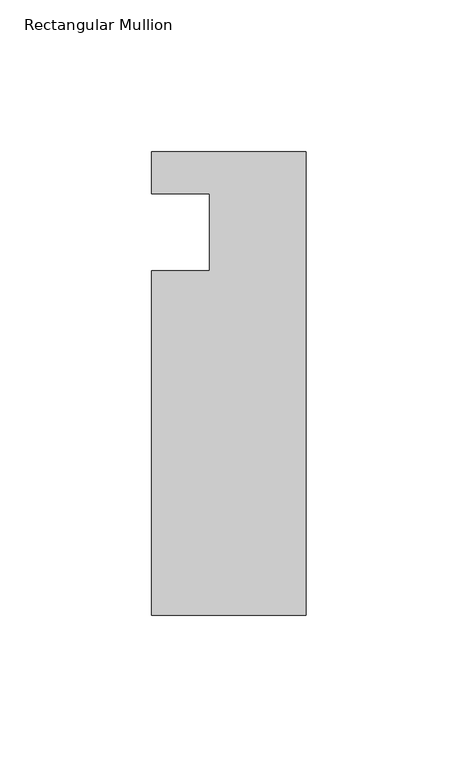
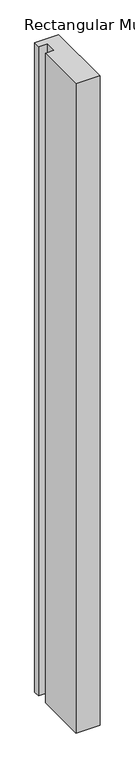
"""IFC4 building model written with IfcOpenShell, lengths in millimetres: member geometry, Rectangular Mullion."""

from ifc_helpers import new_model, si_unit, frame, origin, place, context, project, spatial, polyline, outline, extrude, source, transform, mapped, element, save


def rectangular_mullion_0c7e11d2(model_context):
    return source(origin(), model_context, "Body", "SweptSolid", [
        extrude(outline(polyline([(0.0, 13.672693), (0.0, -138.727307), (-50.8, -138.727307), (-50.8, -25.4), (-31.75, -25.4), (-31.75, 0.0), (-50.8, 0.0), (-50.8, 13.672693), (0.0, 13.672693)])), frame((0.0, 0.0, -1460.5), z_axis=(0.0, 0.0, 1.0), x_axis=(1.0, 0.0, 0.0)), (0.0, 0.0, 1.0), 1460.5),
    ])


if __name__ == "__main__":
    model = new_model("IFC4")
    model_context = context("Model", 3, world=origin())
    ifc_project = project(units=[si_unit("LENGTHUNIT", "METRE", prefix="MILLI")], contexts=[model_context])
    site = spatial("IfcSite", under=ifc_project)
    building = spatial("IfcBuilding", under=site)
    placement = place(None, origin())
    rectangular_mullion_shape = rectangular_mullion_0c7e11d2(model_context)
    element("IfcMember", 1, ObjectType="Rectangular Mullion", at=placement, inside=building, context=model_context, shape_type="MappedRepresentation", body=[
        mapped(rectangular_mullion_shape, transform((0.0, 0.0, 0.0), x_axis=(1.0, 0.0, 0.0), y_axis=(0.0, 1.0, 0.0), z_axis=(0.0, 0.0, 1.0))),
    ])
    save(model, "model.ifc")
